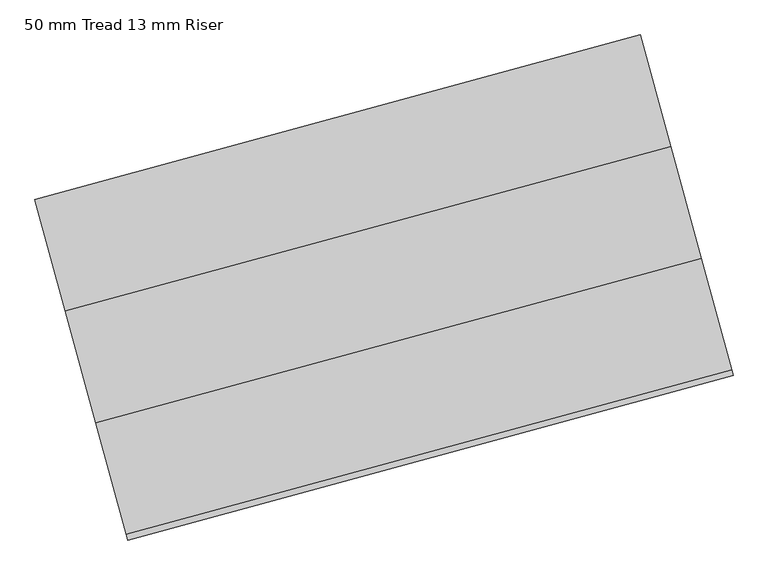
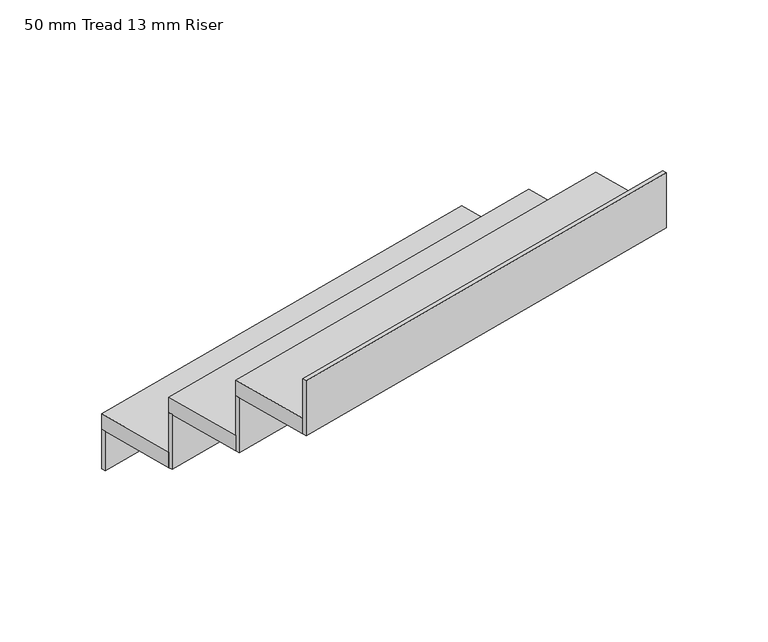
"""IFC4 building model written with IfcOpenShell, lengths in millimetres: stair flight geometry, 50 mm Tread 13 mm Riser."""

from ifc_helpers import new_model, si_unit, frame, origin, origin_with_axes, place, context, project, spatial, polyline, outline, extrude, source, transform, mapped, element, save


def stair_flight_50_mm_tread_13_mm_riser_ef66213c(model_context):
    return source(origin(), model_context, "Body", "SweptSolid", [
        extrude(outline(polyline([(59613.9717803, 6964.8522817), (59610.6931698, 6976.9146494), (60917.1375603, 7332.0126178), (60920.4161707, 7319.9502501), (59613.9717803, 6964.8522817)])), origin_with_axes(), (0.0, 0.0, 1.0), 127.7777778),
        extrude(outline(polyline([(60982.7097695, 7090.7652647), (59676.2653791, 6735.6672963), (59610.6931698, 6976.9146494), (60917.1375603, 7332.0126178), (60982.7097695, 7090.7652647)])), frame((0.0, 0.0, 127.7777778), z_axis=(0.0, 0.0, 1.0), x_axis=(1.0, 0.0, 0.0)), (0.0, 0.0, 1.0), 50.0),
        extrude(outline(polyline([(59679.5439895, 6723.6049286), (59676.2653791, 6735.6672963), (60982.7097695, 7090.7652647), (60985.98838, 7078.702897), (59679.5439895, 6723.6049286)])), frame((0.0, 0.0, 127.7777778), z_axis=(0.0, 0.0, 1.0), x_axis=(1.0, 0.0, 0.0)), (0.0, 0.0, 1.0), 177.7777778),
        extrude(outline(polyline([(61048.2819788, 6849.5179116), (59741.8375883, 6494.4199432), (59676.2653791, 6735.6672963), (60982.7097695, 7090.7652647), (61048.2819788, 6849.5179116)])), frame((0.0, 0.0, 305.5555556), z_axis=(0.0, 0.0, 1.0), x_axis=(1.0, 0.0, 0.0)), (0.0, 0.0, 1.0), 50.0),
        extrude(outline(polyline([(59745.1161988, 6482.3575756), (59741.8375883, 6494.4199432), (61048.2819788, 6849.5179116), (61051.5605892, 6837.4555439), (59745.1161988, 6482.3575756)])), frame((0.0, 0.0, 305.5555556), z_axis=(0.0, 0.0, 1.0), x_axis=(1.0, 0.0, 0.0)), (0.0, 0.0, 1.0), 177.7777778),
        extrude(outline(polyline([(59810.688408, 6241.1102225), (59807.4097976, 6253.1725901), (61113.854188, 6608.2705585), (61117.1327985, 6596.2081908), (59810.688408, 6241.1102225)])), frame((0.0, 0.0, 483.3333333), z_axis=(0.0, 0.0, 1.0), x_axis=(1.0, 0.0, 0.0)), (0.0, 0.0, 1.0), 177.7777778),
        extrude(outline(polyline([(61113.854188, 6608.2705585), (59807.4097976, 6253.1725901), (59741.8375883, 6494.4199432), (61048.2819788, 6849.5179116), (61113.854188, 6608.2705585)])), frame((0.0, 0.0, 483.3333333), z_axis=(0.0, 0.0, 1.0), x_axis=(1.0, 0.0, 0.0)), (0.0, 0.0, 1.0), 50.0),
    ])


if __name__ == "__main__":
    model = new_model("IFC4")
    model_context = context("Model", 3, world=origin())
    ifc_project = project(units=[si_unit("LENGTHUNIT", "METRE", prefix="MILLI")], contexts=[model_context])
    site = spatial("IfcSite", under=ifc_project)
    building = spatial("IfcBuilding", under=site)
    placement = place(None, origin())
    stair_flight_50_mm_tread_13_mm_riser_shape = stair_flight_50_mm_tread_13_mm_riser_ef66213c(model_context)
    element("IfcStairFlight", 1, ObjectType="50 mm Tread 13 mm Riser", at=placement, inside=building, context=model_context, shape_type="MappedRepresentation", body=[
        mapped(stair_flight_50_mm_tread_13_mm_riser_shape, transform((0.0, 0.0, 0.0), x_axis=(1.0, 0.0, 0.0), y_axis=(0.0, 1.0, 0.0), z_axis=(0.0, 0.0, 1.0))),
    ])
    save(model, "model.ifc")
